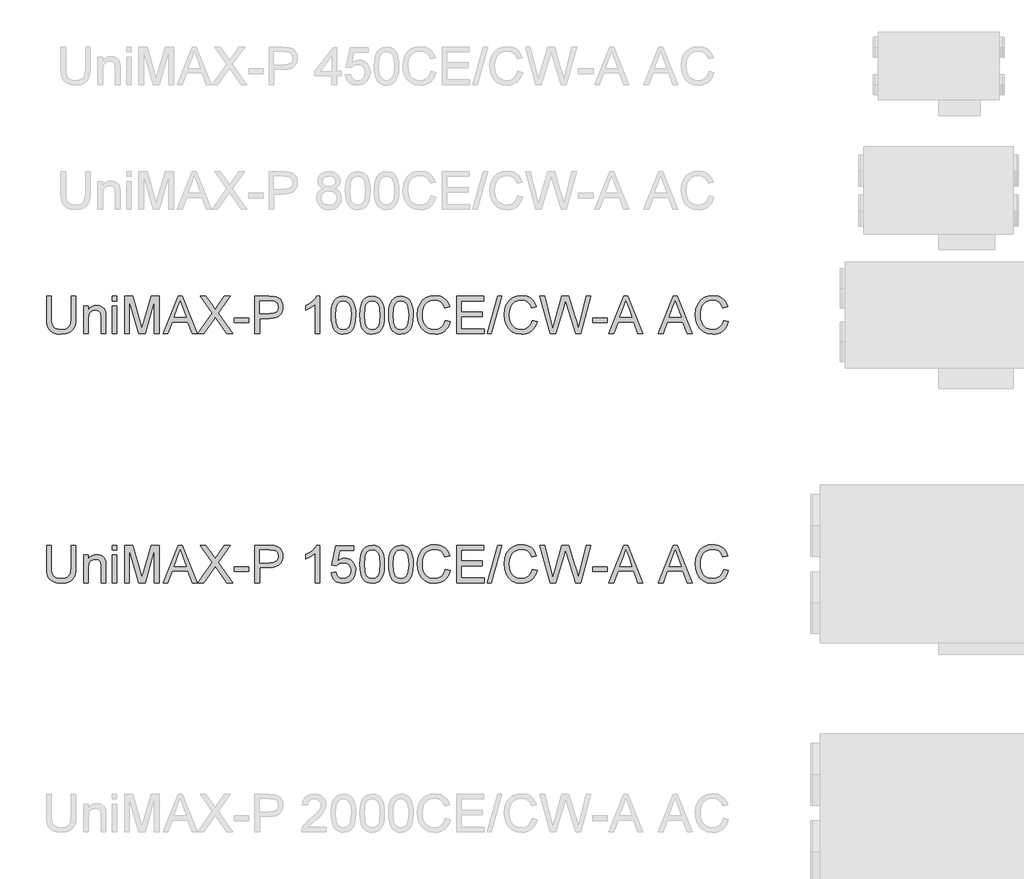
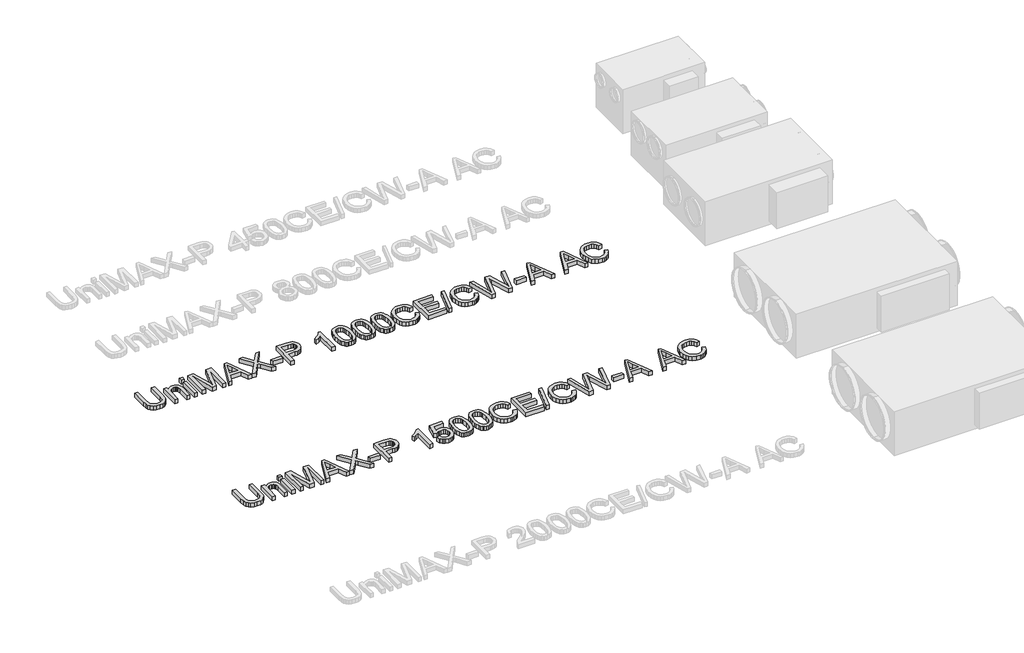
# One storey, part 43 of 74: 2 proxies.
"""IFC4 building model written with IfcOpenShell, lengths in millimetres."""

from ifc_helpers import new_model, si_unit, origin, origin_with_axes, place, context, project, spatial, polyline, outline, extrude, element, save

model = new_model("IFC4")

# Units and contexts
model_context = context("Model", 3, world=origin())
ifc_project = project(units=[si_unit("LENGTHUNIT", "METRE", prefix="MILLI")], contexts=[model_context])

# Site, building, storey
site = spatial("IfcSite", under=ifc_project)
building = spatial("IfcBuilding", under=site)
storey = spatial("IfcBuildingStorey", under=building, Elevation=0.0)

# Proxies
placement = place(None, origin())
element("IfcBuildingElementProxy", 1, Name="Generic Models", at=placement, inside=storey, context=model_context, shape_type="SweptSolid", body=[
    extrude(outline(polyline([(34516.9805383, -29731.9528304), (34554.6516546, -29731.9528304), (34554.6516546, -29905.8138613), (34552.0948748, -29946.5292011), (34544.4245352, -29977.8819441), (34530.0955314, -30002.0701853), (34507.5627592, -30021.2920196), (34476.7710362, -30033.8459926), (34437.6651802, -30038.0306503), (34399.4146497, -30034.3886186), (34368.8344589, -30023.4625233), (34345.9154106, -30005.6294436), (34330.6483078, -29981.2664585), (34322.0674602, -29948.5893403), (34319.2071777, -29905.8138613), (34319.2071777, -29731.9528304), (34356.878294, -29731.9528304), (34356.878294, -29904.4894861), (34358.7360981, -29938.3438267), (34364.3095103, -29961.9158655), (34374.4078711, -29978.2406291), (34389.8405208, -29990.3531438), (34409.9636659, -29997.8579365), (34434.133513, -30000.359534), (34472.4484228, -29995.4115212), (34486.7912221, -29989.2265052), (34497.924251, -29980.5674827), (34506.2613767, -29968.3905887), (34512.2164665, -29951.6519579), (34516.9805383, -29904.4894861), (34516.9805383, -29731.9528304)])), origin_with_axes(), (0.0, 0.0, 1.0), 50.0),
    extrude(outline(polyline([(34615.8672186, -30033.3217608), (34615.8672186, -29812.0039525), (34653.5383349, -29812.0039525), (34653.5383349, -29842.9060401), (34666.6257369, -29827.3262376), (34682.3434952, -29816.1978072), (34700.6916097, -29809.520749), (34721.6700804, -29807.295063), (34740.2389241, -29809.0884877), (34757.2442694, -29814.4687619), (34771.4261203, -29822.7645009), (34781.5244811, -29833.30432), (34792.8184583, -29861.0058343), (34794.8050211, -29897.4261518), (34794.8050211, -30033.3217608), (34757.1339048, -30033.3217608), (34757.1339048, -29902.5029233), (34752.7928972, -29869.1728146), (34746.7872237, -29859.2491977), (34737.452218, -29851.551267), (34725.4868561, -29846.6124512), (34711.5901138, -29844.9661793), (34689.5263911, -29848.6633933), (34670.7184241, -29859.7550355), (34663.2021351, -29868.8095311), (34657.8333572, -29881.1841617), (34653.5383349, -29915.8938279), (34653.5383349, -30033.3217608), (34615.8672186, -30033.3217608)])), origin_with_axes(), (0.0, 0.0, 1.0), 50.0),
    extrude(outline(polyline([(34846.602806, -30033.3217608), (34846.602806, -29812.0039525), (34884.2739223, -29812.0039525), (34884.2739223, -30033.3217608), (34846.602806, -30033.3217608)])), origin_with_axes(), (0.0, 0.0, 1.0), 50.0),
    extrude(outline(polyline([(34846.602806, -29769.6239467), (34846.602806, -29731.9528304), (34884.2739223, -29731.9528304), (34884.2739223, -29769.6239467), (34846.602806, -29769.6239467)])), origin_with_axes(), (0.0, 0.0, 1.0), 50.0),
    extrude(outline(polyline([(34945.4894863, -30033.3217608), (34945.4894863, -29731.9528304), (35010.3102939, -29731.9528304), (35071.9673162, -29944.3678944), (35084.4017277, -29988.734463), (35097.8662087, -29940.6890744), (35158.4931615, -29731.9528304), (35223.3139691, -29731.9528304), (35223.3139691, -30033.3217608), (35185.6428528, -30033.3217608), (35185.6428528, -29769.6239467), (35109.9327381, -30033.3217608), (35058.8707172, -30033.3217608), (34983.1606026, -29769.6239467), (34983.1606026, -30033.3217608), (34945.4894863, -30033.3217608)])), origin_with_axes(), (0.0, 0.0, 1.0), 50.0),
    extrude(outline(polyline([(35254.1424803, -30033.3217608), (35374.4398927, -29731.9528304), (35406.5192027, -29731.9528304), (35526.8166151, -30033.3217608), (35487.0117832, -30033.3217608), (35452.5044521, -29939.14397), (35328.3810669, -29939.14397), (35293.9473121, -30033.3217608), (35254.1424803, -30033.3217608)]), holes=[polyline([(35342.2134299, -29901.4728537), (35438.7456654, -29901.4728537), (35411.5959742, -29827.3814199), (35390.4795477, -29769.6239467), (35371.7175659, -29820.9066968), (35342.2134299, -29901.4728537)])]), origin_with_axes(), (0.0, 0.0, 1.0), 50.0),
    extrude(outline(polyline([(35534.1006786, -30033.3217608), (35650.2778127, -29869.0992382), (35552.9362367, -29731.9528304), (35598.1121457, -29731.9528304), (35652.926563, -29809.1344729), (35671.3942392, -29839.2272201), (35693.0257005, -29808.6194381), (35747.2515066, -29731.9528304), (35793.0896032, -29731.9528304), (35695.7480273, -29869.5406965), (35811.9251613, -30033.3217608), (35766.7492523, -30033.3217608), (35689.3468805, -29924.1343846), (35673.2336492, -29901.4728537), (35655.501737, -29926.3416766), (35579.9387752, -30033.3217608), (35534.1006786, -30033.3217608)])), origin_with_axes(), (0.0, 0.0, 1.0), 50.0),
    extrude(outline(polyline([(35826.05183, -29943.8528596), (35826.05183, -29906.1817433), (35943.7740684, -29906.1817433), (35943.7740684, -29943.8528596), (35826.05183, -29943.8528596)])), origin_with_axes(), (0.0, 0.0, 1.0), 50.0),
    extrude(outline(polyline([(35990.8629638, -30033.3217608), (35990.8629638, -29731.9528304), (36102.5519375, -29731.9528304), (36147.5806937, -29734.8223099), (36167.6578536, -29740.18419), (36184.1849523, -29748.9121903), (36197.4930834, -29761.4017841), (36207.913341, -29778.0484443), (36214.6455815, -29797.6841458), (36216.8896616, -29819.1408632), (36215.3744477, -29837.640729), (36210.8288058, -29854.6598698), (36203.2527359, -29870.1982856), (36192.6462382, -29884.2559764), (36178.0850089, -29895.9086386), (36158.6447447, -29904.2319687), (36134.3254456, -29909.2259668), (36105.1271115, -29910.8906328), (36028.5340801, -29910.8906328), (36028.5340801, -30033.3217608), (35990.8629638, -30033.3217608)]), holes=[polyline([(36028.5340801, -29873.2195165), (36107.3344035, -29873.2195165), (36140.7380886, -29869.7614257), (36162.8110083, -29859.3871535), (36175.1166611, -29842.7404932), (36179.2185453, -29820.4652384), (36176.7997212, -29803.5426666), (36169.5432489, -29789.2688452), (36158.3504392, -29778.5266909), (36144.122603, -29772.1991206), (36106.4514867, -29769.6239467), (36028.5340801, -29769.6239467), (36028.5340801, -29873.2195165)])]), origin_with_axes(), (0.0, 0.0, 1.0), 50.0),
    extrude(outline(polyline([(36513.5497025, -30033.3217608), (36475.8785862, -30033.3217608), (36475.8785862, -29798.4658951), (36440.1940327, -29823.8865409), (36400.5363536, -29842.9060401), (36400.5363536, -29807.295063), (36430.1232631, -29791.2002257), (36455.7554411, -29772.0519678), (36475.9613597, -29751.6896994), (36489.2694909, -29731.9528304), (36513.5497025, -29731.9528304), (36513.5497025, -30033.3217608)])), origin_with_axes(), (0.0, 0.0, 1.0), 50.0),
    extrude(outline(polyline([(36603.0186038, -29885.0653167), (36605.7869158, -29836.8267901), (36614.0918518, -29798.3555305), (36627.8506384, -29769.0629266), (36646.9805022, -29748.3603673), (36671.6193988, -29736.0547146), (36701.9052841, -29731.9528304), (36725.118638, -29734.3808515), (36745.9039707, -29741.664915), (36763.286395, -29753.5199123), (36776.2910235, -29769.6607349), (36786.1134728, -29789.9494269), (36793.9493593, -29814.2480327), (36799.0813131, -29845.104135), (36800.7919644, -29885.0653167), (36798.0512435, -29933.0279319), (36789.8290809, -29971.407221), (36776.1530678, -30000.727416), (36757.0507952, -30021.5127488), (36732.3567162, -30033.9011749), (36701.9052841, -30038.0306503), (36681.1567395, -30036.2372256), (36662.7626398, -30030.8569514), (36646.7229848, -30021.8898278), (36633.0377746, -30009.3358547), (36619.9043873, -29986.6421341), (36610.5233965, -29958.3658043), (36604.8948019, -29924.5068652), (36603.0186038, -29885.0653167)]), holes=[polyline([(36640.6897201, -29884.9917403), (36645.104304, -29944.2483327), (36650.6225339, -29964.5163314), (36658.3480558, -29978.5441317), (36678.0665308, -29994.9056835), (36701.9052841, -30000.359534), (36725.7440374, -29994.8872894), (36745.4625123, -29978.4705553), (36753.1880342, -29964.4197624), (36758.7062641, -29944.1563622), (36763.1208481, -29884.9917403), (36758.8534169, -29827.0687202), (36753.519128, -29806.8674001), (36746.0511235, -29792.5062068), (36726.3694368, -29775.3445117), (36701.4638257, -29769.6239467), (36677.8825898, -29774.66393), (36658.936667, -29789.78388), (36650.9536277, -29805.4188648), (36645.2514568, -29826.4985031), (36640.6897201, -29884.9917403)])]), origin_with_axes(), (0.0, 0.0, 1.0), 50.0),
    extrude(outline(polyline([(36833.7541911, -29885.0653167), (36836.5225032, -29836.8267901), (36844.8274392, -29798.3555305), (36858.5862258, -29769.0629266), (36877.7160896, -29748.3603673), (36902.3549862, -29736.0547146), (36932.6408714, -29731.9528304), (36955.8542253, -29734.3808515), (36976.6395581, -29741.664915), (36994.0219823, -29753.5199123), (37007.0266109, -29769.6607349), (37016.8490601, -29789.9494269), (37024.6849466, -29814.2480327), (37029.8169005, -29845.104135), (37031.5275518, -29885.0653167), (37028.7868309, -29933.0279319), (37020.5646683, -29971.407221), (37006.8886551, -30000.727416), (36987.7863825, -30021.5127488), (36963.0923036, -30033.9011749), (36932.6408714, -30038.0306503), (36911.8923269, -30036.2372256), (36893.4982272, -30030.8569514), (36877.4585722, -30021.8898278), (36863.773362, -30009.3358547), (36850.6399747, -29986.6421341), (36841.2589838, -29958.3658043), (36835.6303893, -29924.5068652), (36833.7541911, -29885.0653167)]), holes=[polyline([(36871.4253075, -29884.9917403), (36875.8398914, -29944.2483327), (36881.3581213, -29964.5163314), (36889.0836432, -29978.5441317), (36908.8021182, -29994.9056835), (36932.6408714, -30000.359534), (36956.4796247, -29994.8872894), (36976.1980997, -29978.4705553), (36983.9236216, -29964.4197624), (36989.4418515, -29944.1563622), (36993.8564354, -29884.9917403), (36989.5890043, -29827.0687202), (36984.2547154, -29806.8674001), (36976.7867109, -29792.5062068), (36957.1050241, -29775.3445117), (36932.1994131, -29769.6239467), (36908.6181772, -29774.66393), (36889.6722544, -29789.78388), (36881.6892151, -29805.4188648), (36875.9870442, -29826.4985031), (36871.4253075, -29884.9917403)])]), origin_with_axes(), (0.0, 0.0, 1.0), 50.0),
    extrude(outline(polyline([(37064.4897785, -29885.0653167), (37067.2580905, -29836.8267901), (37075.5630266, -29798.3555305), (37089.3218132, -29769.0629266), (37108.4516769, -29748.3603673), (37133.0905736, -29736.0547146), (37163.3764588, -29731.9528304), (37186.5898127, -29734.3808515), (37207.3751454, -29741.664915), (37224.7575697, -29753.5199123), (37237.7621982, -29769.6607349), (37247.5846475, -29789.9494269), (37255.420534, -29814.2480327), (37260.5524879, -29845.104135), (37262.2631391, -29885.0653167), (37259.5224183, -29933.0279319), (37251.3002557, -29971.407221), (37237.6242425, -30000.727416), (37218.5219699, -30021.5127488), (37193.827891, -30033.9011749), (37163.3764588, -30038.0306503), (37142.6279143, -30036.2372256), (37124.2338145, -30030.8569514), (37108.1941595, -30021.8898278), (37094.5089493, -30009.3358547), (37081.3755621, -29986.6421341), (37071.9945712, -29958.3658043), (37066.3659767, -29924.5068652), (37064.4897785, -29885.0653167)]), holes=[polyline([(37102.1608948, -29884.9917403), (37106.5754788, -29944.2483327), (37112.0937087, -29964.5163314), (37119.8192306, -29978.5441317), (37139.5377055, -29994.9056835), (37163.3764588, -30000.359534), (37187.2152121, -29994.8872894), (37206.9336871, -29978.4705553), (37214.659209, -29964.4197624), (37220.1774389, -29944.1563622), (37224.5920228, -29884.9917403), (37220.3245917, -29827.0687202), (37214.9903027, -29806.8674001), (37207.5222982, -29792.5062068), (37187.8406115, -29775.3445117), (37162.9350004, -29769.6239467), (37139.3537645, -29774.66393), (37120.4078418, -29789.78388), (37112.4248025, -29805.4188648), (37106.7226316, -29826.4985031), (37102.1608948, -29884.9917403)])]), origin_with_axes(), (0.0, 0.0, 1.0), 50.0),
    extrude(outline(polyline([(37521.2520637, -29926.1945238), (37558.92318, -29935.9066085), (37551.4689711, -29959.3337938), (37541.5407558, -29979.8041276), (37529.138534, -29997.3176098), (37514.2623058, -30011.8742405), (37497.2477635, -30023.3176698), (37478.4305995, -30031.4915479), (37457.8108137, -30036.3958747), (37435.3884061, -30038.0306503), (37391.6932221, -30033.0826375), (37356.9927529, -30018.238599), (37330.3948846, -29994.0135696), (37311.0075035, -29960.9225842), (37299.1709003, -29922.0190632), (37295.2253659, -29880.3564272), (37299.6859351, -29836.4129229), (37313.0676427, -29798.4658951), (37334.6715128, -29767.7201573), (37363.7985698, -29745.3805232), (37398.3426891, -29731.7780864), (37436.1977464, -29727.2439408), (37477.5016975, -29733.1116586), (37495.4704337, -29740.4463059), (37511.6503437, -29750.7148121), (37525.774713, -29763.6458642), (37537.5768273, -29778.9681493), (37554.2142905, -29816.7864184), (37516.5431742, -29825.7627391), (37503.4833634, -29798.2911511), (37485.6410866, -29779.4463959), (37462.7956147, -29768.5478918), (37434.7262185, -29764.9150571), (37402.370997, -29768.943365), (37375.7915228, -29781.0282885), (37355.6223925, -29799.9006349), (37342.4982023, -29824.2912111), (37335.2969122, -29851.8639667), (37332.8964822, -29880.2828508), (37335.7383706, -29915.0844876), (37344.2640359, -29945.1772348), (37358.7953747, -29969.4114612), (37379.6542838, -29986.6375356), (37404.6610624, -29996.9290344), (37431.6360097, -30000.359534), (37463.0807232, -29995.6874327), (37489.2831184, -29981.6711287), (37509.0659726, -29958.4577748), (37521.2520637, -29926.1945238)])), origin_with_axes(), (0.0, 0.0, 1.0), 50.0),
    extrude(outline(polyline([(37610.720965, -30033.3217608), (37610.720965, -29731.9528304), (37827.3298837, -29731.9528304), (37827.3298837, -29769.6239467), (37648.3920813, -29769.6239467), (37648.3920813, -29859.0928479), (37817.9121046, -29859.0928479), (37817.9121046, -29896.7639642), (37648.3920813, -29896.7639642), (37648.3920813, -29995.6506445), (37832.0387733, -29995.6506445), (37832.0387733, -30033.3217608), (37610.720965, -30033.3217608)])), origin_with_axes(), (0.0, 0.0, 1.0), 50.0),
    extrude(outline(polyline([(37855.5832209, -30033.3217608), (37940.3432326, -29731.9528304), (37974.335529, -29731.9528304), (37889.5755173, -30033.3217608), (37855.5832209, -30033.3217608)])), origin_with_axes(), (0.0, 0.0, 1.0), 50.0),
    extrude(outline(polyline([(38218.1677154, -29926.1945238), (38255.8388317, -29935.9066085), (38248.3846228, -29959.3337938), (38238.4564074, -29979.8041276), (38226.0541857, -29997.3176098), (38211.1779575, -30011.8742405), (38194.1634152, -30023.3176698), (38175.3462512, -30031.4915479), (38154.7264653, -30036.3958747), (38132.3040577, -30038.0306503), (38088.6088737, -30033.0826375), (38053.9084045, -30018.238599), (38027.3105363, -29994.0135696), (38007.9231552, -29960.9225842), (37996.086552, -29922.0190632), (37992.1410176, -29880.3564272), (37996.6015868, -29836.4129229), (38009.9832943, -29798.4658951), (38031.5871645, -29767.7201573), (38060.7142215, -29745.3805232), (38095.2583408, -29731.7780864), (38133.1133981, -29727.2439408), (38174.4173491, -29733.1116586), (38192.3860853, -29740.4463059), (38208.5659953, -29750.7148121), (38222.6903647, -29763.6458642), (38234.4924789, -29778.9681493), (38251.1299422, -29816.7864184), (38213.4588259, -29825.7627391), (38200.399015, -29798.2911511), (38182.5567383, -29779.4463959), (38159.7112664, -29768.5478918), (38131.6418701, -29764.9150571), (38099.2866487, -29768.943365), (38072.7071745, -29781.0282885), (38052.5380441, -29799.9006349), (38039.4138539, -29824.2912111), (38032.2125639, -29851.8639667), (38029.8121339, -29880.2828508), (38032.6540223, -29915.0844876), (38041.1796875, -29945.1772348), (38055.7110263, -29969.4114612), (38076.5699355, -29986.6375356), (38101.5767141, -29996.9290344), (38128.5516614, -30000.359534), (38159.9963749, -29995.6874327), (38186.19877, -29981.6711287), (38205.9816243, -29958.4577748), (38218.1677154, -29926.1945238)])), origin_with_axes(), (0.0, 0.0, 1.0), 50.0),
    extrude(outline(polyline([(38361.5681171, -30033.3217608), (38279.3832794, -29731.9528304), (38318.2316181, -29731.9528304), (38365.9091247, -29930.0204966), (38380.6244045, -29991.1624842), (38396.3697539, -29937.0838309), (38456.1137899, -29731.9528304), (38512.1054295, -29731.9528304), (38555.515505, -29880.6507328), (38574.1119398, -29935.8330321), (38587.8155441, -29991.1624842), (38602.0893656, -29931.7863301), (38650.2083305, -29731.9528304), (38689.0566692, -29731.9528304), (38606.7982551, -30033.3217608), (38566.5519648, -30033.3217608), (38494.299941, -29800.8203398), (38484.2199743, -29768.3731479), (38472.8892089, -29807.4422158), (38407.0383317, -30033.3217608), (38361.5681171, -30033.3217608)])), origin_with_axes(), (0.0, 0.0, 1.0), 50.0),
    extrude(outline(polyline([(38703.1833378, -29943.8528596), (38703.1833378, -29906.1817433), (38820.9055763, -29906.1817433), (38820.9055763, -29943.8528596), (38703.1833378, -29943.8528596)])), origin_with_axes(), (0.0, 0.0, 1.0), 50.0),
    extrude(outline(polyline([(38832.8985293, -30033.3217608), (38953.1959418, -29731.9528304), (38985.2752517, -29731.9528304), (39105.5726642, -30033.3217608), (39065.7678323, -30033.3217608), (39031.2605011, -29939.14397), (38907.137116, -29939.14397), (38872.7033612, -30033.3217608), (38832.8985293, -30033.3217608)]), holes=[polyline([(38920.969479, -29901.4728537), (39017.5017145, -29901.4728537), (38990.3520233, -29827.3814199), (38969.2355967, -29769.6239467), (38950.473615, -29820.9066968), (38920.969479, -29901.4728537)])]), origin_with_axes(), (0.0, 0.0, 1.0), 50.0),
    extrude(outline(polyline([(39228.4452505, -30033.3217608), (39348.742663, -29731.9528304), (39380.821973, -29731.9528304), (39501.1193854, -30033.3217608), (39461.3145535, -30033.3217608), (39426.8072223, -29939.14397), (39302.6838372, -29939.14397), (39268.2500824, -30033.3217608), (39228.4452505, -30033.3217608)]), holes=[polyline([(39316.5162002, -29901.4728537), (39413.0484357, -29901.4728537), (39385.8987445, -29827.3814199), (39364.782318, -29769.6239467), (39346.0203362, -29820.9066968), (39316.5162002, -29901.4728537)])]), origin_with_axes(), (0.0, 0.0, 1.0), 50.0),
    extrude(outline(polyline([(39753.2657049, -29926.1945238), (39790.9368212, -29935.9066085), (39783.4826122, -29959.3337938), (39773.5543969, -29979.8041276), (39761.1521751, -29997.3176098), (39746.275947, -30011.8742405), (39729.2614047, -30023.3176698), (39710.4442406, -30031.4915479), (39689.8244548, -30036.3958747), (39667.4020472, -30038.0306503), (39623.7068632, -30033.0826375), (39589.006394, -30018.238599), (39562.4085258, -29994.0135696), (39543.0211446, -29960.9225842), (39531.1845414, -29922.0190632), (39527.239007, -29880.3564272), (39531.6995762, -29836.4129229), (39545.0812838, -29798.4658951), (39566.685154, -29767.7201573), (39595.8122109, -29745.3805232), (39630.3563303, -29731.7780864), (39668.2113876, -29727.2439408), (39709.5153386, -29733.1116586), (39727.4840748, -29740.4463059), (39743.6639848, -29750.7148121), (39757.7883541, -29763.6458642), (39769.5904684, -29778.9681493), (39786.2279316, -29816.7864184), (39748.5568153, -29825.7627391), (39735.4970045, -29798.2911511), (39717.6547277, -29779.4463959), (39694.8092558, -29768.5478918), (39666.7398596, -29764.9150571), (39634.3846381, -29768.943365), (39607.805164, -29781.0282885), (39587.6360336, -29799.9006349), (39574.5118434, -29824.2912111), (39567.3105534, -29851.8639667), (39564.9101233, -29880.2828508), (39567.7520118, -29915.0844876), (39576.277677, -29945.1772348), (39590.8090158, -29969.4114612), (39611.6679249, -29986.6375356), (39636.6747035, -29996.9290344), (39663.6496508, -30000.359534), (39695.0943644, -29995.6874327), (39721.2967595, -29981.6711287), (39741.0796138, -29958.4577748), (39753.2657049, -29926.1945238)])), origin_with_axes(), (0.0, 0.0, 1.0), 50.0),
])
element("IfcBuildingElementProxy", 2, Name="Generic Models", at=placement, inside=storey, context=model_context, shape_type="SweptSolid", body=[
    extrude(outline(polyline([(34516.9805383, -31731.9528304), (34554.6516546, -31731.9528304), (34554.6516546, -31905.8138613), (34552.0948748, -31946.5292011), (34544.4245352, -31977.8819441), (34530.0955314, -32002.0701853), (34507.5627592, -32021.2920196), (34476.7710362, -32033.8459926), (34437.6651802, -32038.0306503), (34399.4146497, -32034.3886186), (34368.8344589, -32023.4625233), (34345.9154106, -32005.6294436), (34330.6483078, -31981.2664585), (34322.0674602, -31948.5893403), (34319.2071777, -31905.8138613), (34319.2071777, -31731.9528304), (34356.878294, -31731.9528304), (34356.878294, -31904.4894861), (34358.7360981, -31938.3438267), (34364.3095103, -31961.9158655), (34374.4078711, -31978.2406291), (34389.8405208, -31990.3531438), (34409.9636659, -31997.8579365), (34434.133513, -32000.359534), (34472.4484228, -31995.4115212), (34486.7912221, -31989.2265052), (34497.924251, -31980.5674827), (34506.2613767, -31968.3905887), (34512.2164665, -31951.6519579), (34516.9805383, -31904.4894861), (34516.9805383, -31731.9528304)])), origin_with_axes(), (0.0, 0.0, 1.0), 50.0),
    extrude(outline(polyline([(34615.8672186, -32033.3217608), (34615.8672186, -31812.0039525), (34653.5383349, -31812.0039525), (34653.5383349, -31842.9060401), (34666.6257369, -31827.3262376), (34682.3434952, -31816.1978072), (34700.6916097, -31809.520749), (34721.6700804, -31807.295063), (34740.2389241, -31809.0884877), (34757.2442694, -31814.4687619), (34771.4261203, -31822.7645009), (34781.5244811, -31833.30432), (34792.8184583, -31861.0058343), (34794.8050211, -31897.4261518), (34794.8050211, -32033.3217608), (34757.1339048, -32033.3217608), (34757.1339048, -31902.5029233), (34752.7928972, -31869.1728146), (34746.7872237, -31859.2491977), (34737.452218, -31851.551267), (34725.4868561, -31846.6124512), (34711.5901138, -31844.9661793), (34689.5263911, -31848.6633933), (34670.7184241, -31859.7550355), (34663.2021351, -31868.8095311), (34657.8333572, -31881.1841617), (34653.5383349, -31915.8938279), (34653.5383349, -32033.3217608), (34615.8672186, -32033.3217608)])), origin_with_axes(), (0.0, 0.0, 1.0), 50.0),
    extrude(outline(polyline([(34846.602806, -32033.3217608), (34846.602806, -31812.0039525), (34884.2739223, -31812.0039525), (34884.2739223, -32033.3217608), (34846.602806, -32033.3217608)])), origin_with_axes(), (0.0, 0.0, 1.0), 50.0),
    extrude(outline(polyline([(34846.602806, -31769.6239467), (34846.602806, -31731.9528304), (34884.2739223, -31731.9528304), (34884.2739223, -31769.6239467), (34846.602806, -31769.6239467)])), origin_with_axes(), (0.0, 0.0, 1.0), 50.0),
    extrude(outline(polyline([(34945.4894863, -32033.3217608), (34945.4894863, -31731.9528304), (35010.3102939, -31731.9528304), (35071.9673162, -31944.3678944), (35084.4017277, -31988.734463), (35097.8662087, -31940.6890744), (35158.4931615, -31731.9528304), (35223.3139691, -31731.9528304), (35223.3139691, -32033.3217608), (35185.6428528, -32033.3217608), (35185.6428528, -31769.6239467), (35109.9327381, -32033.3217608), (35058.8707172, -32033.3217608), (34983.1606026, -31769.6239467), (34983.1606026, -32033.3217608), (34945.4894863, -32033.3217608)])), origin_with_axes(), (0.0, 0.0, 1.0), 50.0),
    extrude(outline(polyline([(35254.1424803, -32033.3217608), (35374.4398927, -31731.9528304), (35406.5192027, -31731.9528304), (35526.8166151, -32033.3217608), (35487.0117832, -32033.3217608), (35452.5044521, -31939.14397), (35328.3810669, -31939.14397), (35293.9473121, -32033.3217608), (35254.1424803, -32033.3217608)]), holes=[polyline([(35342.2134299, -31901.4728537), (35438.7456654, -31901.4728537), (35411.5959742, -31827.3814199), (35390.4795477, -31769.6239467), (35371.7175659, -31820.9066968), (35342.2134299, -31901.4728537)])]), origin_with_axes(), (0.0, 0.0, 1.0), 50.0),
    extrude(outline(polyline([(35534.1006786, -32033.3217608), (35650.2778127, -31869.0992382), (35552.9362367, -31731.9528304), (35598.1121457, -31731.9528304), (35652.926563, -31809.1344729), (35671.3942392, -31839.2272201), (35693.0257005, -31808.6194381), (35747.2515066, -31731.9528304), (35793.0896032, -31731.9528304), (35695.7480273, -31869.5406965), (35811.9251613, -32033.3217608), (35766.7492523, -32033.3217608), (35689.3468805, -31924.1343846), (35673.2336492, -31901.4728537), (35655.501737, -31926.3416766), (35579.9387752, -32033.3217608), (35534.1006786, -32033.3217608)])), origin_with_axes(), (0.0, 0.0, 1.0), 50.0),
    extrude(outline(polyline([(35826.05183, -31943.8528596), (35826.05183, -31906.1817433), (35943.7740684, -31906.1817433), (35943.7740684, -31943.8528596), (35826.05183, -31943.8528596)])), origin_with_axes(), (0.0, 0.0, 1.0), 50.0),
    extrude(outline(polyline([(35990.8629638, -32033.3217608), (35990.8629638, -31731.9528304), (36102.5519375, -31731.9528304), (36147.5806937, -31734.8223099), (36167.6578536, -31740.18419), (36184.1849523, -31748.9121903), (36197.4930834, -31761.4017841), (36207.913341, -31778.0484443), (36214.6455815, -31797.6841458), (36216.8896616, -31819.1408632), (36215.3744477, -31837.640729), (36210.8288058, -31854.6598698), (36203.2527359, -31870.1982856), (36192.6462382, -31884.2559764), (36178.0850089, -31895.9086386), (36158.6447447, -31904.2319687), (36134.3254456, -31909.2259668), (36105.1271115, -31910.8906328), (36028.5340801, -31910.8906328), (36028.5340801, -32033.3217608), (35990.8629638, -32033.3217608)]), holes=[polyline([(36028.5340801, -31873.2195165), (36107.3344035, -31873.2195165), (36140.7380886, -31869.7614257), (36162.8110083, -31859.3871535), (36175.1166611, -31842.7404932), (36179.2185453, -31820.4652384), (36176.7997212, -31803.5426666), (36169.5432489, -31789.2688452), (36158.3504392, -31778.5266909), (36144.122603, -31772.1991206), (36106.4514867, -31769.6239467), (36028.5340801, -31769.6239467), (36028.5340801, -31873.2195165)])]), origin_with_axes(), (0.0, 0.0, 1.0), 50.0),
    extrude(outline(polyline([(36513.5497025, -32033.3217608), (36475.8785862, -32033.3217608), (36475.8785862, -31798.4658951), (36440.1940327, -31823.8865409), (36400.5363536, -31842.9060401), (36400.5363536, -31807.295063), (36430.1232631, -31791.2002257), (36455.7554411, -31772.0519678), (36475.9613597, -31751.6896994), (36489.2694909, -31731.9528304), (36513.5497025, -31731.9528304), (36513.5497025, -32033.3217608)])), origin_with_axes(), (0.0, 0.0, 1.0), 50.0),
    extrude(outline(polyline([(36603.0186038, -31953.2706387), (36640.6897201, -31948.5617491), (36647.6059016, -31971.1772948), (36659.672431, -31987.3732996), (36676.8341261, -31997.1129754), (36699.0358045, -32000.359534), (36726.038343, -31995.8437825), (36746.2718527, -31982.2965281), (36758.9085992, -31961.2812691), (36763.1208481, -31934.3615041), (36759.1753137, -31909.0144346), (36747.3387105, -31889.6270535), (36727.519068, -31877.3214007), (36699.6244157, -31873.2195165), (36681.3498776, -31874.8565914), (36666.5518243, -31879.767816), (36645.3986096, -31896.7639642), (36607.7274933, -31892.0550747), (36640.6897201, -31736.6617199), (36786.6652958, -31736.6617199), (36786.6652958, -31774.3328362), (36671.1503493, -31774.3328362), (36655.0371179, -31857.3270143), (36681.9476858, -31840.9930537), (36710.1458408, -31835.5484002), (36728.491656, -31837.2360588), (36745.3429507, -31842.2990348), (36760.6997247, -31850.7373281), (36774.5619781, -31862.5509386), (36786.0375971, -31877.0178981), (36794.2344678, -31893.416238), (36799.1525902, -31911.7459584), (36800.7919644, -31932.0070593), (36794.8874584, -31969.6781756), (36787.5068258, -31986.4719887), (36777.1739403, -32001.9046384), (36761.5205614, -32017.7097686), (36743.2552203, -32028.9991474), (36722.3779171, -32035.7727746), (36698.8886517, -32038.0306503), (36661.88892, -32032.2273119), (36646.2102493, -32024.9731388), (36632.4123752, -32014.8172964), (36620.9321577, -32002.2656226), (36612.2064566, -31987.823955), (36603.0186038, -31953.2706387)])), origin_with_axes(), (0.0, 0.0, 1.0), 50.0),
    extrude(outline(polyline([(36833.7541911, -31885.0653167), (36836.5225032, -31836.8267901), (36844.8274392, -31798.3555305), (36858.5862258, -31769.0629266), (36877.7160896, -31748.3603673), (36902.3549862, -31736.0547146), (36932.6408714, -31731.9528304), (36955.8542253, -31734.3808515), (36976.6395581, -31741.664915), (36994.0219823, -31753.5199123), (37007.0266109, -31769.6607349), (37016.8490601, -31789.9494269), (37024.6849466, -31814.2480327), (37029.8169005, -31845.104135), (37031.5275518, -31885.0653167), (37028.7868309, -31933.0279319), (37020.5646683, -31971.407221), (37006.8886551, -32000.727416), (36987.7863825, -32021.5127488), (36963.0923036, -32033.9011749), (36932.6408714, -32038.0306503), (36911.8923269, -32036.2372256), (36893.4982272, -32030.8569514), (36877.4585722, -32021.8898278), (36863.773362, -32009.3358547), (36850.6399747, -31986.6421341), (36841.2589838, -31958.3658043), (36835.6303893, -31924.5068652), (36833.7541911, -31885.0653167)]), holes=[polyline([(36871.4253075, -31884.9917403), (36875.8398914, -31944.2483327), (36881.3581213, -31964.5163314), (36889.0836432, -31978.5441317), (36908.8021182, -31994.9056835), (36932.6408714, -32000.359534), (36956.4796247, -31994.8872894), (36976.1980997, -31978.4705553), (36983.9236216, -31964.4197624), (36989.4418515, -31944.1563622), (36993.8564354, -31884.9917403), (36989.5890043, -31827.0687202), (36984.2547154, -31806.8674001), (36976.7867109, -31792.5062068), (36957.1050241, -31775.3445117), (36932.1994131, -31769.6239467), (36908.6181772, -31774.66393), (36889.6722544, -31789.78388), (36881.6892151, -31805.4188648), (36875.9870442, -31826.4985031), (36871.4253075, -31884.9917403)])]), origin_with_axes(), (0.0, 0.0, 1.0), 50.0),
    extrude(outline(polyline([(37064.4897785, -31885.0653167), (37067.2580905, -31836.8267901), (37075.5630266, -31798.3555305), (37089.3218132, -31769.0629266), (37108.4516769, -31748.3603673), (37133.0905736, -31736.0547146), (37163.3764588, -31731.9528304), (37186.5898127, -31734.3808515), (37207.3751454, -31741.664915), (37224.7575697, -31753.5199123), (37237.7621982, -31769.6607349), (37247.5846475, -31789.9494269), (37255.420534, -31814.2480327), (37260.5524879, -31845.104135), (37262.2631391, -31885.0653167), (37259.5224183, -31933.0279319), (37251.3002557, -31971.407221), (37237.6242425, -32000.727416), (37218.5219699, -32021.5127488), (37193.827891, -32033.9011749), (37163.3764588, -32038.0306503), (37142.6279143, -32036.2372256), (37124.2338145, -32030.8569514), (37108.1941595, -32021.8898278), (37094.5089493, -32009.3358547), (37081.3755621, -31986.6421341), (37071.9945712, -31958.3658043), (37066.3659767, -31924.5068652), (37064.4897785, -31885.0653167)]), holes=[polyline([(37102.1608948, -31884.9917403), (37106.5754788, -31944.2483327), (37112.0937087, -31964.5163314), (37119.8192306, -31978.5441317), (37139.5377055, -31994.9056835), (37163.3764588, -32000.359534), (37187.2152121, -31994.8872894), (37206.9336871, -31978.4705553), (37214.659209, -31964.4197624), (37220.1774389, -31944.1563622), (37224.5920228, -31884.9917403), (37220.3245917, -31827.0687202), (37214.9903027, -31806.8674001), (37207.5222982, -31792.5062068), (37187.8406115, -31775.3445117), (37162.9350004, -31769.6239467), (37139.3537645, -31774.66393), (37120.4078418, -31789.78388), (37112.4248025, -31805.4188648), (37106.7226316, -31826.4985031), (37102.1608948, -31884.9917403)])]), origin_with_axes(), (0.0, 0.0, 1.0), 50.0),
    extrude(outline(polyline([(37521.2520637, -31926.1945238), (37558.92318, -31935.9066085), (37551.4689711, -31959.3337938), (37541.5407558, -31979.8041276), (37529.138534, -31997.3176098), (37514.2623058, -32011.8742405), (37497.2477635, -32023.3176698), (37478.4305995, -32031.4915479), (37457.8108137, -32036.3958747), (37435.3884061, -32038.0306503), (37391.6932221, -32033.0826375), (37356.9927529, -32018.238599), (37330.3948846, -31994.0135696), (37311.0075035, -31960.9225842), (37299.1709003, -31922.0190632), (37295.2253659, -31880.3564272), (37299.6859351, -31836.4129229), (37313.0676427, -31798.4658951), (37334.6715128, -31767.7201573), (37363.7985698, -31745.3805232), (37398.3426891, -31731.7780864), (37436.1977464, -31727.2439408), (37477.5016975, -31733.1116586), (37495.4704337, -31740.4463059), (37511.6503437, -31750.7148121), (37525.774713, -31763.6458642), (37537.5768273, -31778.9681493), (37554.2142905, -31816.7864184), (37516.5431742, -31825.7627391), (37503.4833634, -31798.2911511), (37485.6410866, -31779.4463959), (37462.7956147, -31768.5478918), (37434.7262185, -31764.9150571), (37402.370997, -31768.943365), (37375.7915228, -31781.0282885), (37355.6223925, -31799.9006349), (37342.4982023, -31824.2912111), (37335.2969122, -31851.8639667), (37332.8964822, -31880.2828508), (37335.7383706, -31915.0844876), (37344.2640359, -31945.1772348), (37358.7953747, -31969.4114612), (37379.6542838, -31986.6375356), (37404.6610624, -31996.9290344), (37431.6360097, -32000.359534), (37463.0807232, -31995.6874327), (37489.2831184, -31981.6711287), (37509.0659726, -31958.4577748), (37521.2520637, -31926.1945238)])), origin_with_axes(), (0.0, 0.0, 1.0), 50.0),
    extrude(outline(polyline([(37610.720965, -32033.3217608), (37610.720965, -31731.9528304), (37827.3298837, -31731.9528304), (37827.3298837, -31769.6239467), (37648.3920813, -31769.6239467), (37648.3920813, -31859.0928479), (37817.9121046, -31859.0928479), (37817.9121046, -31896.7639642), (37648.3920813, -31896.7639642), (37648.3920813, -31995.6506445), (37832.0387733, -31995.6506445), (37832.0387733, -32033.3217608), (37610.720965, -32033.3217608)])), origin_with_axes(), (0.0, 0.0, 1.0), 50.0),
    extrude(outline(polyline([(37855.5832209, -32033.3217608), (37940.3432326, -31731.9528304), (37974.335529, -31731.9528304), (37889.5755173, -32033.3217608), (37855.5832209, -32033.3217608)])), origin_with_axes(), (0.0, 0.0, 1.0), 50.0),
    extrude(outline(polyline([(38218.1677154, -31926.1945238), (38255.8388317, -31935.9066085), (38248.3846228, -31959.3337938), (38238.4564074, -31979.8041276), (38226.0541857, -31997.3176098), (38211.1779575, -32011.8742405), (38194.1634152, -32023.3176698), (38175.3462512, -32031.4915479), (38154.7264653, -32036.3958747), (38132.3040577, -32038.0306503), (38088.6088737, -32033.0826375), (38053.9084045, -32018.238599), (38027.3105363, -31994.0135696), (38007.9231552, -31960.9225842), (37996.086552, -31922.0190632), (37992.1410176, -31880.3564272), (37996.6015868, -31836.4129229), (38009.9832943, -31798.4658951), (38031.5871645, -31767.7201573), (38060.7142215, -31745.3805232), (38095.2583408, -31731.7780864), (38133.1133981, -31727.2439408), (38174.4173491, -31733.1116586), (38192.3860853, -31740.4463059), (38208.5659953, -31750.7148121), (38222.6903647, -31763.6458642), (38234.4924789, -31778.9681493), (38251.1299422, -31816.7864184), (38213.4588259, -31825.7627391), (38200.399015, -31798.2911511), (38182.5567383, -31779.4463959), (38159.7112664, -31768.5478918), (38131.6418701, -31764.9150571), (38099.2866487, -31768.943365), (38072.7071745, -31781.0282885), (38052.5380441, -31799.9006349), (38039.4138539, -31824.2912111), (38032.2125639, -31851.8639667), (38029.8121339, -31880.2828508), (38032.6540223, -31915.0844876), (38041.1796875, -31945.1772348), (38055.7110263, -31969.4114612), (38076.5699355, -31986.6375356), (38101.5767141, -31996.9290344), (38128.5516614, -32000.359534), (38159.9963749, -31995.6874327), (38186.19877, -31981.6711287), (38205.9816243, -31958.4577748), (38218.1677154, -31926.1945238)])), origin_with_axes(), (0.0, 0.0, 1.0), 50.0),
    extrude(outline(polyline([(38361.5681171, -32033.3217608), (38279.3832794, -31731.9528304), (38318.2316181, -31731.9528304), (38365.9091247, -31930.0204966), (38380.6244045, -31991.1624842), (38396.3697539, -31937.0838309), (38456.1137899, -31731.9528304), (38512.1054295, -31731.9528304), (38555.515505, -31880.6507328), (38574.1119398, -31935.8330321), (38587.8155441, -31991.1624842), (38602.0893656, -31931.7863301), (38650.2083305, -31731.9528304), (38689.0566692, -31731.9528304), (38606.7982551, -32033.3217608), (38566.5519648, -32033.3217608), (38494.299941, -31800.8203398), (38484.2199743, -31768.3731479), (38472.8892089, -31807.4422158), (38407.0383317, -32033.3217608), (38361.5681171, -32033.3217608)])), origin_with_axes(), (0.0, 0.0, 1.0), 50.0),
    extrude(outline(polyline([(38703.1833378, -31943.8528596), (38703.1833378, -31906.1817433), (38820.9055763, -31906.1817433), (38820.9055763, -31943.8528596), (38703.1833378, -31943.8528596)])), origin_with_axes(), (0.0, 0.0, 1.0), 50.0),
    extrude(outline(polyline([(38832.8985293, -32033.3217608), (38953.1959418, -31731.9528304), (38985.2752517, -31731.9528304), (39105.5726642, -32033.3217608), (39065.7678323, -32033.3217608), (39031.2605011, -31939.14397), (38907.137116, -31939.14397), (38872.7033612, -32033.3217608), (38832.8985293, -32033.3217608)]), holes=[polyline([(38920.969479, -31901.4728537), (39017.5017145, -31901.4728537), (38990.3520233, -31827.3814199), (38969.2355967, -31769.6239467), (38950.473615, -31820.9066968), (38920.969479, -31901.4728537)])]), origin_with_axes(), (0.0, 0.0, 1.0), 50.0),
    extrude(outline(polyline([(39228.4452505, -32033.3217608), (39348.742663, -31731.9528304), (39380.821973, -31731.9528304), (39501.1193854, -32033.3217608), (39461.3145535, -32033.3217608), (39426.8072223, -31939.14397), (39302.6838372, -31939.14397), (39268.2500824, -32033.3217608), (39228.4452505, -32033.3217608)]), holes=[polyline([(39316.5162002, -31901.4728537), (39413.0484357, -31901.4728537), (39385.8987445, -31827.3814199), (39364.782318, -31769.6239467), (39346.0203362, -31820.9066968), (39316.5162002, -31901.4728537)])]), origin_with_axes(), (0.0, 0.0, 1.0), 50.0),
    extrude(outline(polyline([(39753.2657049, -31926.1945238), (39790.9368212, -31935.9066085), (39783.4826122, -31959.3337938), (39773.5543969, -31979.8041276), (39761.1521751, -31997.3176098), (39746.275947, -32011.8742405), (39729.2614047, -32023.3176698), (39710.4442406, -32031.4915479), (39689.8244548, -32036.3958747), (39667.4020472, -32038.0306503), (39623.7068632, -32033.0826375), (39589.006394, -32018.238599), (39562.4085258, -31994.0135696), (39543.0211446, -31960.9225842), (39531.1845414, -31922.0190632), (39527.239007, -31880.3564272), (39531.6995762, -31836.4129229), (39545.0812838, -31798.4658951), (39566.685154, -31767.7201573), (39595.8122109, -31745.3805232), (39630.3563303, -31731.7780864), (39668.2113876, -31727.2439408), (39709.5153386, -31733.1116586), (39727.4840748, -31740.4463059), (39743.6639848, -31750.7148121), (39757.7883541, -31763.6458642), (39769.5904684, -31778.9681493), (39786.2279316, -31816.7864184), (39748.5568153, -31825.7627391), (39735.4970045, -31798.2911511), (39717.6547277, -31779.4463959), (39694.8092558, -31768.5478918), (39666.7398596, -31764.9150571), (39634.3846381, -31768.943365), (39607.805164, -31781.0282885), (39587.6360336, -31799.9006349), (39574.5118434, -31824.2912111), (39567.3105534, -31851.8639667), (39564.9101233, -31880.2828508), (39567.7520118, -31915.0844876), (39576.277677, -31945.1772348), (39590.8090158, -31969.4114612), (39611.6679249, -31986.6375356), (39636.6747035, -31996.9290344), (39663.6496508, -32000.359534), (39695.0943644, -31995.6874327), (39721.2967595, -31981.6711287), (39741.0796138, -31958.4577748), (39753.2657049, -31926.1945238)])), origin_with_axes(), (0.0, 0.0, 1.0), 50.0),
])

save(model, "model.ifc")
